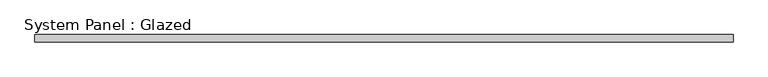
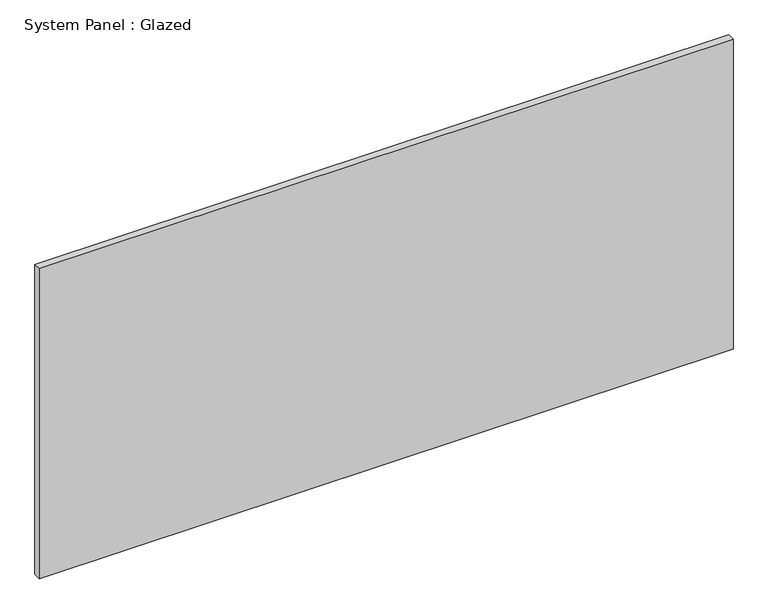
"""IFC4 building model written with IfcOpenShell, lengths in millimetres: plate geometry, System Panel : Glazed."""

from ifc_helpers import new_model, si_unit, origin, origin_with_axes, place, context, project, spatial, polyline, outline, extrude, source, transform, mapped, element, save


def system_panel_glazed_a2499dd3(model_context):
    return source(origin(), model_context, "Body", "SweptSolid", [
        extrude(outline(polyline([(1222.7327642, 19.05), (-1222.7327642, 19.05), (-1222.7327642, 44.45), (1222.7327642, 44.45), (1222.7327642, 19.05)])), origin_with_axes(), (0.0, 0.0, 1.0), 1155.7),
    ])


if __name__ == "__main__":
    model = new_model("IFC4")
    model_context = context("Model", 3, world=origin())
    ifc_project = project(units=[si_unit("LENGTHUNIT", "METRE", prefix="MILLI")], contexts=[model_context])
    site = spatial("IfcSite", under=ifc_project)
    building = spatial("IfcBuilding", under=site)
    placement = place(None, origin())
    system_panel_glazed_shape = system_panel_glazed_a2499dd3(model_context)
    element("IfcPlate", 1, ObjectType="System Panel : Glazed", at=placement, inside=building, context=model_context, shape_type="MappedRepresentation", body=[
        mapped(system_panel_glazed_shape, transform((0.0, 0.0, 0.0), x_axis=(1.0, 0.0, 0.0), y_axis=(0.0, 1.0, 0.0), z_axis=(0.0, 0.0, 1.0))),
    ])
    save(model, "model.ifc")
